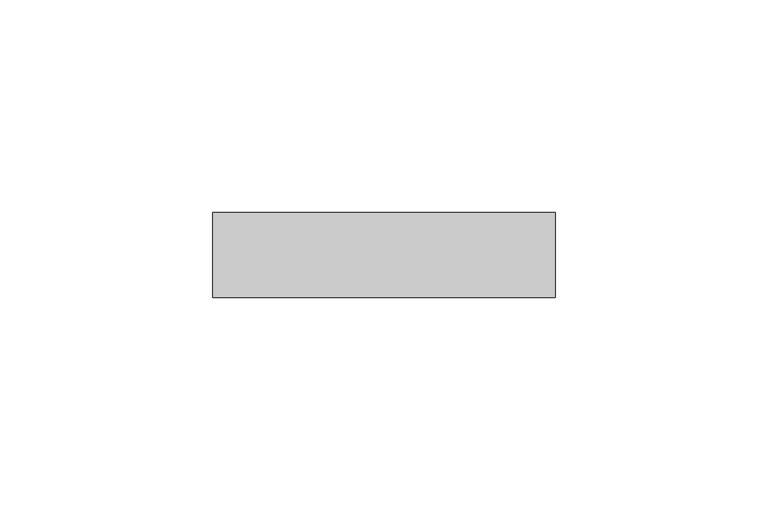
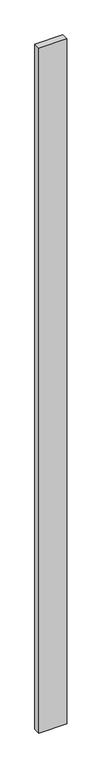
"""IFC4 building model written with IfcOpenShell, lengths in millimetres: plate geometry."""

from ifc_helpers import new_model, si_unit, origin, origin_with_axes, place, context, project, spatial, polyline, outline, extrude, source, transform, mapped, element, save


def plate_8d22e554(model_context):
    return source(origin(), model_context, "Body", "SweptSolid", [
        extrude(outline(polyline([(40.20232, 20.0), (-40.20232, 20.0), (-40.20232, 40.0), (40.20232, 40.0), (40.20232, 20.0)])), origin_with_axes(), (0.0, 0.0, 1.0), 2075.0),
    ])


if __name__ == "__main__":
    model = new_model("IFC4")
    model_context = context("Model", 3, world=origin())
    ifc_project = project(units=[si_unit("LENGTHUNIT", "METRE", prefix="MILLI")], contexts=[model_context])
    site = spatial("IfcSite", under=ifc_project)
    building = spatial("IfcBuilding", under=site)
    placement = place(None, origin())
    plate_shape = plate_8d22e554(model_context)
    element("IfcPlate", 1, at=placement, inside=building, context=model_context, shape_type="MappedRepresentation", body=[
        mapped(plate_shape, transform((0.0, 0.0, 0.0), x_axis=(1.0, 0.0, 0.0), y_axis=(0.0, 1.0, 0.0), z_axis=(0.0, 0.0, 1.0))),
    ])
    save(model, "model.ifc")
